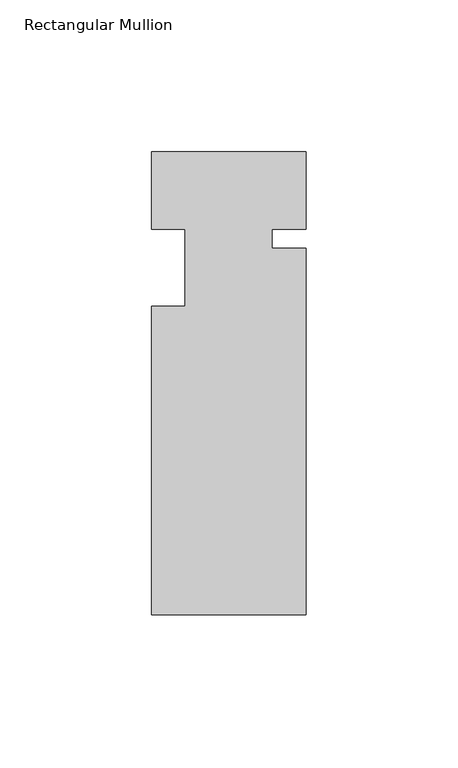
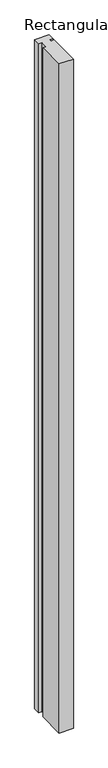
"""IFC4 building model written with IfcOpenShell, lengths in millimetres: member geometry, Rectangular Mullion."""

from ifc_helpers import new_model, si_unit, frame, origin, place, context, project, spatial, polyline, outline, extrude, source, transform, mapped, element, save


def rectangular_mullion_60418ca0(model_context):
    return source(origin(), model_context, "Body", "SweptSolid", [
        extrude(outline(polyline([(25.4, -25.4), (14.3002, -25.4), (14.3002, -31.75), (25.4, -31.75), (25.4, -152.4), (-25.4, -152.4), (-25.4, -50.8), (-14.398625, -50.8), (-14.398625, -25.4), (-25.4, -25.4), (-25.4, 0.0), (25.4, 0.0), (25.4, -25.4)])), frame((0.0, 0.0, -2540.0), z_axis=(0.0, 0.0, 1.0), x_axis=(1.0, 0.0, 0.0)), (0.0, 0.0, 1.0), 2540.0),
    ])


if __name__ == "__main__":
    model = new_model("IFC4")
    model_context = context("Model", 3, world=origin())
    ifc_project = project(units=[si_unit("LENGTHUNIT", "METRE", prefix="MILLI")], contexts=[model_context])
    site = spatial("IfcSite", under=ifc_project)
    building = spatial("IfcBuilding", under=site)
    placement = place(None, origin())
    rectangular_mullion_shape = rectangular_mullion_60418ca0(model_context)
    element("IfcMember", 1, ObjectType="Rectangular Mullion", at=placement, inside=building, context=model_context, shape_type="MappedRepresentation", body=[
        mapped(rectangular_mullion_shape, transform((0.0, 0.0, 0.0), x_axis=(1.0, 0.0, 0.0), y_axis=(0.0, 1.0, 0.0), z_axis=(0.0, 0.0, 1.0))),
    ])
    save(model, "model.ifc")
